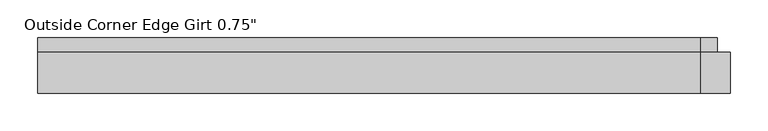
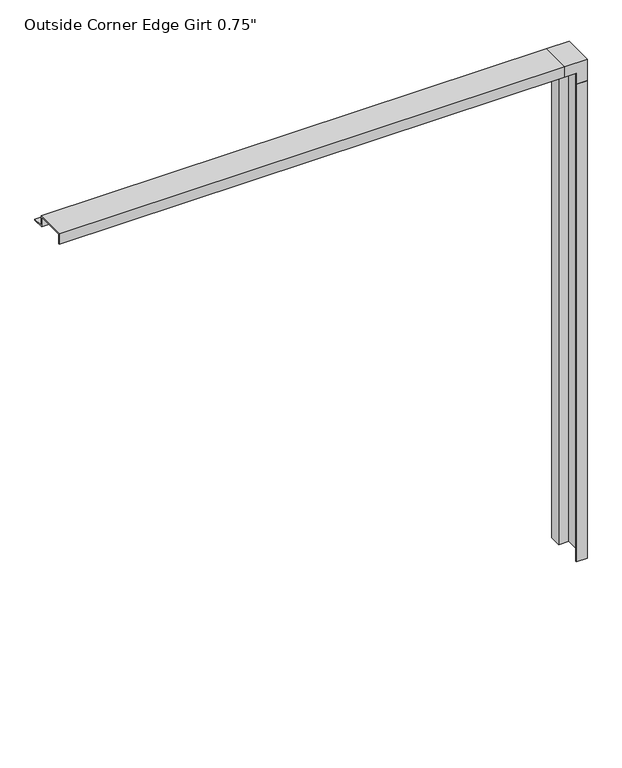
"""IFC4 building model written with IfcOpenShell, lengths in millimetres: proxy geometry."""

import ifcopenshell
import ifcopenshell.guid

model = None  # the IFC model being written
_history = None  # IfcOwnerHistory: only IFC2X3 demands one
_inside = {}  # id of a spatial element -> (the spatial element, [elements in it])
_under = {}  # id of a project, library or spatial element -> (it, [spatial elements below it])
_declared = {}  # id of a project -> (the project, [libraries it declares])
_typed = {}  # id of a type object -> (the type object, [elements of that type])
_made_of = {}  # id of a material, layer set ... -> (it, [elements and type objects made of it])


def new_model(schema):
    """Start an empty IFC model of exactly this schema.

    Asked for "IFC4X3", IfcOpenShell would pick the latest addendum, in which some entities
    have other attributes; the version numbers below select the first issue.
    IFC2X3 requires an IfcOwnerHistory on every rooted entity: one is made here for all.
    """
    global model, _history
    if schema == "IFC4X3":
        model = ifcopenshell.file(schema_version=(4, 3, 0, 0))
    else:
        model = ifcopenshell.file(schema=schema)
    _inside.clear()
    _under.clear()
    _declared.clear()
    _typed.clear()
    _made_of.clear()
    _history = None
    if model.schema == "IFC2X3":
        org = make("IfcOrganization", Name="unknown")
        user = make(
            "IfcPersonAndOrganization",
            ThePerson=make("IfcPerson", FamilyName="unknown"),
            TheOrganization=org,
        )
        app = make(
            "IfcApplication",
            ApplicationDeveloper=org,
            Version="unknown",
            ApplicationFullName="unknown",
            ApplicationIdentifier="unknown",
        )
        _history = make(
            "IfcOwnerHistory",
            OwningUser=user,
            OwningApplication=app,
            ChangeAction="ADDED",
            CreationDate=0,
        )
    return model


def make(cls, **values):
    """One entity of the class cls with the attributes given. An attribute that is None is left unset."""
    return model.create_entity(
        cls, **{name: value for name, value in values.items() if value is not None}
    )


def rooted(cls, **values):
    """An entity with a GlobalId (a new one), such as an element, a storey or a relation."""
    return make(cls, GlobalId=ifcopenshell.guid.new(), OwnerHistory=_history, **values)


def si_unit(unit_type, name, prefix=None):
    """IfcSIUnit, for example si_unit("LENGTHUNIT", "METRE", prefix="MILLI")."""
    return make("IfcSIUnit", UnitType=unit_type, Prefix=prefix, Name=name)


def assignment(units):
    """IfcUnitAssignment: the units of a project."""
    return None if units is None else make("IfcUnitAssignment", Units=units)


def point(xyz):
    """IfcCartesianPoint."""
    return None if xyz is None else make("IfcCartesianPoint", Coordinates=xyz)


def direction(xyz):
    """IfcDirection."""
    return None if xyz is None else make("IfcDirection", DirectionRatios=xyz)


def frame(location, z_axis=None, x_axis=None):
    """IfcAxis2Placement3D, a coordinate frame: its origin and axes. An axis left out is left unset."""
    return make(
        "IfcAxis2Placement3D",
        Location=point(location),
        Axis=direction(z_axis),
        RefDirection=direction(x_axis),
    )


def origin():
    """The frame at (0, 0, 0) with its axes left unset."""
    return frame((0.0, 0.0, 0.0))


def place(relative_to, where):
    """IfcLocalPlacement: puts the frame where relative to a parent placement (None: the world)."""
    return make(
        "IfcLocalPlacement", PlacementRelTo=relative_to, RelativePlacement=where
    )


def context(
    kind, dimensions, precision=None, world=None, true_north=None, identifier=None
):
    """IfcGeometricRepresentationContext, for example the 3D "Model" context."""
    return make(
        "IfcGeometricRepresentationContext",
        ContextIdentifier=identifier,
        ContextType=kind,
        CoordinateSpaceDimension=dimensions,
        Precision=precision,
        WorldCoordinateSystem=world,
        TrueNorth=true_north,
    )


def project(units=None, contexts=None):
    """IfcProject with its units and contexts."""
    return rooted(
        "IfcProject",
        Name="project",
        RepresentationContexts=contexts,
        UnitsInContext=assignment(units),
    )


def spatial(cls, under=None, at=None, **own):
    """A site, building, storey or space (cls), placed at a placement, below another one or the project."""
    s = rooted(cls, ObjectPlacement=at, **own)
    if under is not None:
        _under.setdefault(under.id(), (under, []))[1].append(s)
    return s


def polyline(points):
    """IfcPolyline through the points."""
    return make("IfcPolyline", Points=[point(p) for p in points])


def outline(outer, holes=None, kind="AREA"):
    """IfcArbitraryClosedProfileDef: a profile drawn as a closed curve; with holes, ...WithVoids."""
    if holes is None:
        return make("IfcArbitraryClosedProfileDef", ProfileType=kind, OuterCurve=outer)
    return make(
        "IfcArbitraryProfileDefWithVoids",
        ProfileType=kind,
        OuterCurve=outer,
        InnerCurves=holes,
    )


def extrude(swept, where, along, depth):
    """IfcExtrudedAreaSolid: the profile swept, set in the frame where, extruded along a direction by depth."""
    return make(
        "IfcExtrudedAreaSolid",
        SweptArea=swept,
        Position=where,
        ExtrudedDirection=direction(along),
        Depth=depth,
    )


def faces_of(points, faces, orient=None, outer=None):
    """IfcFace entities. A face is a list of loops; a loop is a list of indices into points, from 0.

    orient and outer hold one flag for each loop. By default every Orientation is true, the
    first loop of a face is its IfcFaceOuterBound and the others are IfcFaceBound.
    """
    made = []
    for i, loops in enumerate(faces):
        bounds = []
        for j, loop in enumerate(loops):
            is_outer = j == 0 if outer is None else outer[i][j]
            bounds.append(
                make(
                    "IfcFaceOuterBound" if is_outer else "IfcFaceBound",
                    Bound=make("IfcPolyLoop", Polygon=[points[k] for k in loop]),
                    Orientation=True if orient is None else orient[i][j],
                )
            )
        made.append(make("IfcFace", Bounds=bounds))
    return made


def faceted_brep(points, faces, orient=None, outer=None, voids=None):
    """IfcFacetedBrep: a solid bounded by flat faces; with voids (closed shells), ...WithVoids."""
    shared = [point(p) for p in points]
    hull = make("IfcClosedShell", CfsFaces=faces_of(shared, faces, orient, outer))
    if voids is None:
        return make("IfcFacetedBrep", Outer=hull)
    return make(
        "IfcFacetedBrepWithVoids",
        Outer=hull,
        Voids=[
            make(cls, CfsFaces=faces_of(shared, fs, o, b)) for cls, fs, o, b in voids
        ],
    )


def shape(context_of_items, identifier, shape_type, items):
    """IfcShapeRepresentation: the items that make up one representation, for example the "Body"."""
    return make(
        "IfcShapeRepresentation",
        ContextOfItems=context_of_items,
        RepresentationIdentifier=identifier,
        RepresentationType=shape_type,
        Items=items,
    )


def source(mapping_origin, context_of_items, identifier, shape_type, items):
    """IfcRepresentationMap: a shape defined once, which mapped items show again and again."""
    return make(
        "IfcRepresentationMap",
        MappingOrigin=mapping_origin,
        MappedRepresentation=shape(context_of_items, identifier, shape_type, items),
    )


def transform(
    local_origin,
    x_axis=None,
    y_axis=None,
    z_axis=None,
    scale=None,
    scale2=None,
    scale3=None,
    uniform=True,
):
    """IfcCartesianTransformationOperator3D, or its non-uniform kind. x_axis, y_axis, z_axis: its Axis1, 2, 3."""
    if uniform:
        return make(
            "IfcCartesianTransformationOperator3D",
            Axis1=direction(x_axis),
            Axis2=direction(y_axis),
            LocalOrigin=point(local_origin),
            Scale=scale,
            Axis3=direction(z_axis),
        )
    return make(
        "IfcCartesianTransformationOperator3DnonUniform",
        Axis1=direction(x_axis),
        Axis2=direction(y_axis),
        LocalOrigin=point(local_origin),
        Scale=scale,
        Axis3=direction(z_axis),
        Scale2=scale2,
        Scale3=scale3,
    )


def mapped(mapping_source, mapping_target):
    """IfcMappedItem: shows the shape of a source again, moved by a transform."""
    return make(
        "IfcMappedItem", MappingSource=mapping_source, MappingTarget=mapping_target
    )


def made_of(thing, what):
    """Note that an element or type object is made of a material, layer set ...; save() writes the relation."""
    if what is not None:
        _made_of.setdefault(what.id(), (what, []))[1].append(thing)
    return thing


def element(
    cls,
    number,
    at=None,
    inside=None,
    cuts=None,
    type_object=None,
    material=None,
    context=None,
    identifier="Body",
    shape_type=None,
    held_by="IfcProductDefinitionShape",
    body=None,
    shapes=None,
    **own,
):
    """One element of the class cls, such as IfcWall. Its Tag is "e" and its number.

    at: its placement. inside: the storey or other place that contains it. cuts: it is an
    opening in that element (IfcRelVoidsElement). A single representation is given by context,
    identifier, shape_type and body (its items); several are given by shapes. held_by: the class
    of the entity that holds the representations. save() writes the other relations.
    """
    e = rooted(cls, Tag="e%d" % number, ObjectPlacement=at, **own)
    if body is not None:
        shapes = [shape(context, identifier, shape_type, body)]
    if shapes is not None:
        e.Representation = make(held_by, Representations=shapes)
    if inside is not None:
        _inside.setdefault(inside.id(), (inside, []))[1].append(e)
    if cuts is not None:
        rooted(
            "IfcRelVoidsElement", RelatingBuildingElement=cuts, RelatedOpeningElement=e
        )
    if type_object is not None:
        _typed.setdefault(type_object.id(), (type_object, []))[1].append(e)
    return made_of(e, material)


def aggregate(whole, parts):
    """IfcRelAggregates: a whole, such as a stair, and the parts it consists of."""
    return rooted("IfcRelAggregates", RelatingObject=whole, RelatedObjects=parts)


def save(model, path):
    """Write the relations noted so far, then the file.

    IfcRelAggregates (storeys below a building ...), IfcRelContainedInSpatialStructure (elements
    in a storey), IfcRelDefinesByType, IfcRelAssociatesMaterial and IfcRelDeclares: one each for
    every whole, place, type object, material and project.
    """
    for whole, parts in _under.values():
        aggregate(whole, parts)
    for where, things in _inside.values():
        rooted(
            "IfcRelContainedInSpatialStructure",
            RelatedElements=things,
            RelatingStructure=where,
        )
    for kind, things in _typed.values():
        rooted("IfcRelDefinesByType", RelatedObjects=things, RelatingType=kind)
    for what, things in _made_of.values():
        rooted("IfcRelAssociatesMaterial", RelatedObjects=things, RelatingMaterial=what)
    for by, libraries in _declared.values():
        rooted("IfcRelDeclares", RelatingContext=by, RelatedDefinitions=libraries)
    model.write(path)


def proxy_e7c5713d(model_context):
    return source(origin(), model_context, "Body", "SolidModel", [
        extrude(outline(polyline([(171.475, 46.0559645), (173.0883, 46.0559645), (173.0883, 27.0129), (190.5254, 27.0129), (190.5254, -27.0129), (171.475, -27.0129), (171.475, -25.4), (188.9125, -25.4), (188.9125, 25.4), (171.475, 25.4), (171.475, 46.0559645)])), frame((0.0, 0.0, -725.4875), z_axis=(0.0, 0.0, 1.0), x_axis=(1.0, 0.0, 0.0)), (0.0, 0.0, 1.0), 876.3),
        extrude(outline(polyline([(46.0559645, 171.475), (25.4, 171.475), (25.4, 188.9125), (-25.4, 188.9125), (-25.4, 171.475), (-27.0129, 171.475), (-27.0129, 190.5254), (27.0129, 190.5254), (27.0129, 173.0883), (46.0559645, 173.0883), (46.0559645, 171.475)])), frame((-725.4875, 0.0, 0.0), z_axis=(1.0, 0.0, 0.0), x_axis=(0.0, 1.0, 0.0)), (0.0, 0.0, 1.0), 876.3),
        faceted_brep([(150.8125, 25.4, 171.475), (150.8125, 25.4, 188.9125), (150.8125, -25.4, 188.9125), (150.8125, -25.4, 171.475), (150.8125, -27.0129, 171.475), (150.8125, -27.0129, 190.5254), (150.8125, 27.0129, 190.5254), (150.8125, 27.0129, 173.0883), (150.8125, 46.0559645, 173.0883), (150.8125, 46.0559645, 171.475), (171.475, 46.0559645, 171.475), (171.475, 25.4, 171.475), (173.0883, 46.0559645, 173.0883), (173.0883, 46.0559645, 150.8125), (171.475, 46.0559645, 150.8125), (173.0883, 27.0129, 173.0883), (190.5254, 27.0129, 190.5254), (190.5254, 27.0129, 150.8125), (173.0883, 27.0129, 150.8125), (190.5254, -27.0129, 190.5254), (171.475, -27.0129, 171.475), (171.475, -27.0129, 150.8125), (190.5254, -27.0129, 150.8125), (171.475, -25.4, 171.475), (188.9125, -25.4, 188.9125), (188.9125, -25.4, 150.8125), (171.475, -25.4, 150.8125), (188.9125, 25.4, 188.9125), (171.475, 25.4, 150.8125), (188.9125, 25.4, 150.8125)], [[[0, 1, 2, 3, 4, 5, 6, 7, 8, 9]], [[0, 9, 10, 11]], [[9, 8, 12, 13, 14, 10]], [[8, 7, 15, 12]], [[7, 6, 16, 17, 18, 15]], [[6, 5, 19, 16]], [[5, 4, 20, 21, 22, 19]], [[4, 3, 23, 20]], [[3, 2, 24, 25, 26, 23]], [[2, 1, 27, 24]], [[1, 0, 11, 28, 29, 27]], [[28, 14, 13, 18, 17, 22, 21, 26, 25, 29]], [[11, 10, 14, 28]], [[12, 15, 18, 13]], [[16, 19, 22, 17]], [[20, 23, 26, 21]], [[24, 27, 29, 25]]]),
    ])


if __name__ == "__main__":
    model = new_model("IFC4")
    model_context = context("Model", 3, world=origin())
    ifc_project = project(units=[si_unit("LENGTHUNIT", "METRE", prefix="MILLI")], contexts=[model_context])
    site = spatial("IfcSite", under=ifc_project)
    building = spatial("IfcBuilding", under=site)
    placement = place(None, origin())
    proxy_shape = proxy_e7c5713d(model_context)
    element("IfcBuildingElementProxy", 1, Name="Outside Corner Edge Girt 0.75\"", ObjectType="Outside Corner Edge Girt 0.75\"", at=placement, inside=building, context=model_context, shape_type="MappedRepresentation", body=[
        mapped(proxy_shape, transform((0.0, 0.0, 0.0), x_axis=(1.0, 0.0, 0.0), y_axis=(0.0, 1.0, 0.0), z_axis=(0.0, 0.0, 1.0))),
    ])
    save(model, "model.ifc")
